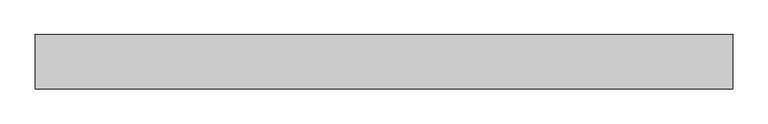
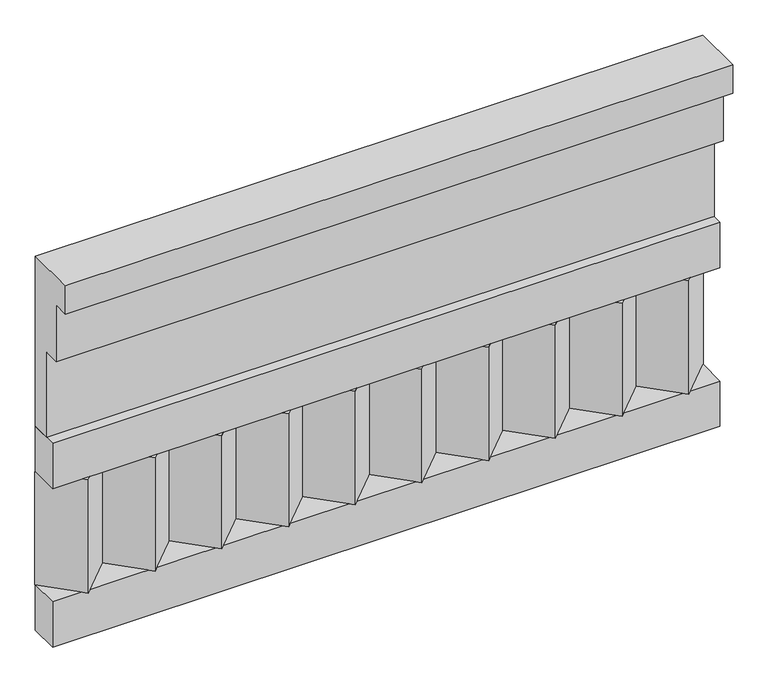
"""IFC4 building model written with IfcOpenShell, lengths in millimetres: railing geometry."""

from ifc_helpers import new_model, si_unit, frame, origin, place, context, project, spatial, polyline, outline, extrude, source, transform, mapped, element, save


def railing_69415936(model_context):
    return source(origin(), model_context, "Body", "SweptSolid", [
        extrude(outline(polyline([(-16816.8920513, 15200.0), (-16816.8920513, 14750.0), (-16866.8920513, 14750.0), (-16866.8920513, 14975.0), (-16906.8920513, 14975.0), (-16906.8920513, 15125.0), (-16946.8920513, 15125.0), (-16946.8920513, 15200.0), (-16816.8920513, 15200.0)])), frame((-22709.9887159, 0.0, 0.0), z_axis=(1.0, 0.0, 0.0), x_axis=(0.0, 1.0, 0.0)), (0.0, 0.0, 1.0), 1670.0),
        extrude(outline(polyline([(-22709.9887159, -16891.8920513), (-22709.9887159, -16816.8920513), (-21039.9887159, -16816.8920513), (-21039.9887159, -16891.8920513), (-22709.9887159, -16891.8920513)])), frame((0.0, 0.0, 14630.0), z_axis=(0.0, 0.0, 1.0), x_axis=(1.0, 0.0, 0.0)), (0.0, 0.0, 1.0), 120.0),
        extrude(outline(polyline([(-22709.9887159, -16891.8920513), (-22709.9887159, -16816.8920513), (-21039.9887159, -16816.8920513), (-21039.9887159, -16891.8920513), (-22709.9887159, -16891.8920513)])), frame((0.0, 0.0, 14210.0), z_axis=(0.0, 0.0, 1.0), x_axis=(1.0, 0.0, 0.0)), (0.0, 0.0, 1.0), 120.0),
        extrude(outline(polyline([(-21123.4887159, -16901.7448651), (-21208.3415296, -16816.8920513), (-21038.6359022, -16816.8920513), (-21123.4887159, -16901.7448651)])), frame((0.0, 0.0, 14330.0), z_axis=(0.0, 0.0, 1.0), x_axis=(1.0, 0.0, 0.0)), (0.0, 0.0, 1.0), 300.0),
        extrude(outline(polyline([(-21290.4887159, -16901.7448651), (-21375.3415296, -16816.8920513), (-21205.6359022, -16816.8920513), (-21290.4887159, -16901.7448651)])), frame((0.0, 0.0, 14330.0), z_axis=(0.0, 0.0, 1.0), x_axis=(1.0, 0.0, 0.0)), (0.0, 0.0, 1.0), 300.0),
        extrude(outline(polyline([(-21457.4887159, -16901.7448651), (-21542.3415296, -16816.8920513), (-21372.6359022, -16816.8920513), (-21457.4887159, -16901.7448651)])), frame((0.0, 0.0, 14330.0), z_axis=(0.0, 0.0, 1.0), x_axis=(1.0, 0.0, 0.0)), (0.0, 0.0, 1.0), 300.0),
        extrude(outline(polyline([(-21624.4887159, -16901.7448651), (-21709.3415296, -16816.8920513), (-21539.6359022, -16816.8920513), (-21624.4887159, -16901.7448651)])), frame((0.0, 0.0, 14330.0), z_axis=(0.0, 0.0, 1.0), x_axis=(1.0, 0.0, 0.0)), (0.0, 0.0, 1.0), 300.0),
        extrude(outline(polyline([(-21791.4887159, -16901.7448651), (-21876.3415296, -16816.8920513), (-21706.6359022, -16816.8920513), (-21791.4887159, -16901.7448651)])), frame((0.0, 0.0, 14330.0), z_axis=(0.0, 0.0, 1.0), x_axis=(1.0, 0.0, 0.0)), (0.0, 0.0, 1.0), 300.0),
        extrude(outline(polyline([(-21958.4887159, -16901.7448651), (-22043.3415296, -16816.8920513), (-21873.6359022, -16816.8920513), (-21958.4887159, -16901.7448651)])), frame((0.0, 0.0, 14330.0), z_axis=(0.0, 0.0, 1.0), x_axis=(1.0, 0.0, 0.0)), (0.0, 0.0, 1.0), 300.0),
        extrude(outline(polyline([(-22125.4887159, -16901.7448651), (-22210.3415296, -16816.8920513), (-22040.6359022, -16816.8920513), (-22125.4887159, -16901.7448651)])), frame((0.0, 0.0, 14330.0), z_axis=(0.0, 0.0, 1.0), x_axis=(1.0, 0.0, 0.0)), (0.0, 0.0, 1.0), 300.0),
        extrude(outline(polyline([(-22292.4887159, -16901.7448651), (-22377.3415296, -16816.8920513), (-22207.6359022, -16816.8920513), (-22292.4887159, -16901.7448651)])), frame((0.0, 0.0, 14330.0), z_axis=(0.0, 0.0, 1.0), x_axis=(1.0, 0.0, 0.0)), (0.0, 0.0, 1.0), 300.0),
        extrude(outline(polyline([(-22459.4887159, -16901.7448651), (-22544.3415296, -16816.8920513), (-22374.6359022, -16816.8920513), (-22459.4887159, -16901.7448651)])), frame((0.0, 0.0, 14330.0), z_axis=(0.0, 0.0, 1.0), x_axis=(1.0, 0.0, 0.0)), (0.0, 0.0, 1.0), 300.0),
        extrude(outline(polyline([(-22626.4887159, -16901.7448651), (-22711.3415296, -16816.8920513), (-22541.6359022, -16816.8920513), (-22626.4887159, -16901.7448651)])), frame((0.0, 0.0, 14330.0), z_axis=(0.0, 0.0, 1.0), x_axis=(1.0, 0.0, 0.0)), (0.0, 0.0, 1.0), 300.0),
    ])


if __name__ == "__main__":
    model = new_model("IFC4")
    model_context = context("Model", 3, world=origin())
    ifc_project = project(units=[si_unit("LENGTHUNIT", "METRE", prefix="MILLI")], contexts=[model_context])
    site = spatial("IfcSite", under=ifc_project)
    building = spatial("IfcBuilding", under=site)
    placement = place(None, origin())
    railing_shape = railing_69415936(model_context)
    element("IfcRailing", 1, at=placement, inside=building, context=model_context, shape_type="MappedRepresentation", body=[
        mapped(railing_shape, transform((0.0, 0.0, 0.0), x_axis=(1.0, 0.0, 0.0), y_axis=(0.0, 1.0, 0.0), z_axis=(0.0, 0.0, 1.0))),
    ])
    save(model, "model.ifc")
